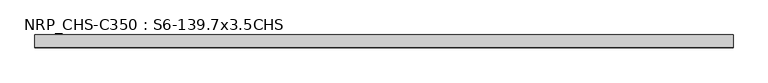
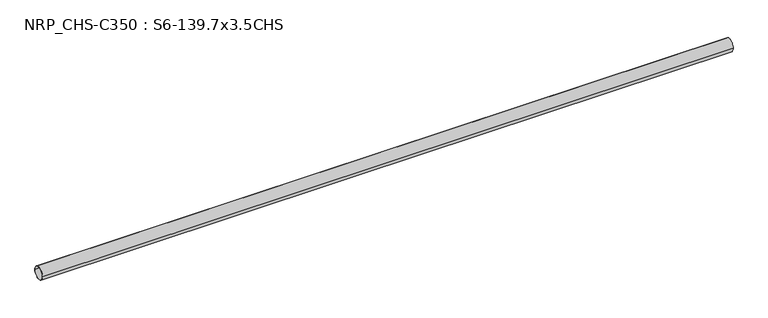
"""IFC4 building model written with IfcOpenShell, lengths in millimetres: beam geometry, NRP_CHS-C350 : S6-139.7x3.5CHS."""

from ifc_helpers import new_model, si_unit, point, frame, origin, origin_2d, place, context, project, spatial, circle_curve, trimmed, segment, composite_curve, outline, extrude, source, transform, mapped, element, save


def nrp_chs_c350_s6_139_7x3_5chs_2309bbc0(model_context):
    return source(origin(), model_context, "Body", "SweptSolid", [
        extrude(outline(composite_curve([segment(trimmed(circle_curve(origin_2d(), 69.85), [point((69.85, 0.0))], [point((-69.85, 0.0))], False, "CARTESIAN"), True, "CONTINUOUS"), segment(trimmed(circle_curve(origin_2d(), 69.85), [point((-69.85, 0.0))], [point((69.85, 0.0))], False, "CARTESIAN"), True, "CONTINUOUS")], self_intersect=False), holes=[composite_curve([segment(trimmed(circle_curve(origin_2d(), 66.35), [point((-66.35, 0.0))], [point((66.35, 0.0))], True, "CARTESIAN"), True, "CONTINUOUS"), segment(trimmed(circle_curve(origin_2d(), 66.35), [point((66.35, 0.0))], [point((-66.35, 0.0))], True, "CARTESIAN"), True, "CONTINUOUS")], self_intersect=False)]), frame((-3743.65, 0.0, 0.0), z_axis=(1.0, 0.0, 0.0), x_axis=(0.0, 1.0, 0.0)), (0.0, 0.0, 1.0), 7507.2),
    ])


if __name__ == "__main__":
    model = new_model("IFC4")
    model_context = context("Model", 3, world=origin())
    ifc_project = project(units=[si_unit("LENGTHUNIT", "METRE", prefix="MILLI")], contexts=[model_context])
    site = spatial("IfcSite", under=ifc_project)
    building = spatial("IfcBuilding", under=site)
    placement = place(None, origin())
    nrp_chs_c350_s6_139_7x3_5chs_shape = nrp_chs_c350_s6_139_7x3_5chs_2309bbc0(model_context)
    element("IfcBeam", 1, ObjectType="NRP_CHS-C350 : S6-139.7x3.5CHS", at=placement, inside=building, context=model_context, shape_type="MappedRepresentation", body=[
        mapped(nrp_chs_c350_s6_139_7x3_5chs_shape, transform((0.0, 0.0, 0.0), x_axis=(1.0, 0.0, 0.0), y_axis=(0.0, 1.0, 0.0), z_axis=(0.0, 0.0, 1.0))),
    ])
    save(model, "model.ifc")
